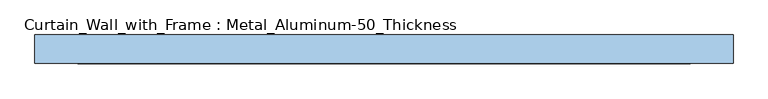
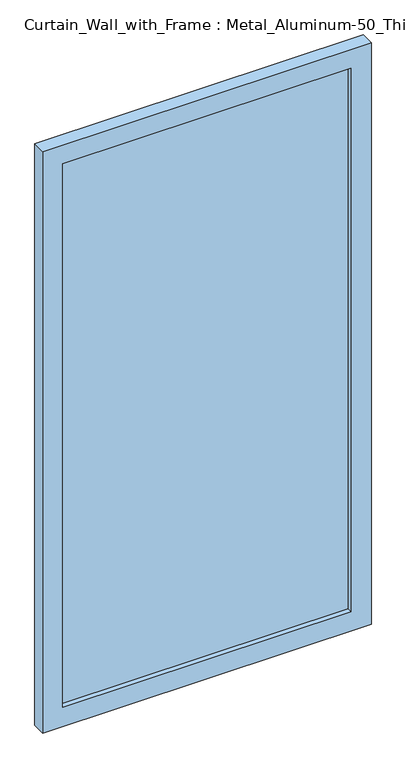
"""IFC4 building model written with IfcOpenShell, lengths in millimetres: window geometry, Curtain_Wall_with_Frame : Metal_Aluminum-50_Thickness."""

from ifc_helpers import new_model, si_unit, frame, origin, place, context, project, spatial, polyline, outline, extrude, source, transform, mapped, element, save


def curtain_wall_with_frame_metal_aluminum_50_thickness_3f7c1377(model_context):
    return source(origin(), model_context, "Body", "SweptSolid", [
        extrude(outline(polyline([(537.5, -30.95), (-537.5, -30.95), (-537.5, -18.25), (537.5, -18.25), (537.5, -30.95)])), frame((0.0, 0.0, 75.0), z_axis=(0.0, 0.0, 1.0), x_axis=(1.0, 0.0, 0.0)), (0.0, 0.0, 1.0), 2140.0),
        extrude(outline(polyline([(2290.0, -612.5), (0.0, -612.5), (0.0, 612.5), (2290.0, 612.5), (2290.0, -612.5)]), holes=[polyline([(2215.0, -537.5), (2215.0, 537.5), (75.0, 537.5), (75.0, -537.5), (2215.0, -537.5)])]), frame((0.0, -50.0, 0.0), z_axis=(0.0, 1.0, 0.0), x_axis=(0.0, 0.0, 1.0)), (0.0, 0.0, 1.0), 50.0),
    ])


if __name__ == "__main__":
    model = new_model("IFC4")
    model_context = context("Model", 3, world=origin())
    ifc_project = project(units=[si_unit("LENGTHUNIT", "METRE", prefix="MILLI")], contexts=[model_context])
    site = spatial("IfcSite", under=ifc_project)
    building = spatial("IfcBuilding", under=site)
    placement = place(None, origin())
    curtain_wall_with_frame_metal_aluminum_50_thickness_shape = curtain_wall_with_frame_metal_aluminum_50_thickness_3f7c1377(model_context)
    element("IfcWindow", 1, ObjectType="Curtain_Wall_with_Frame : Metal_Aluminum-50_Thickness", at=placement, inside=building, context=model_context, shape_type="MappedRepresentation", body=[
        mapped(curtain_wall_with_frame_metal_aluminum_50_thickness_shape, transform((0.0, 0.0, 0.0), x_axis=(1.0, 0.0, 0.0), y_axis=(0.0, 1.0, 0.0), z_axis=(0.0, 0.0, 1.0))),
    ])
    save(model, "model.ifc")
